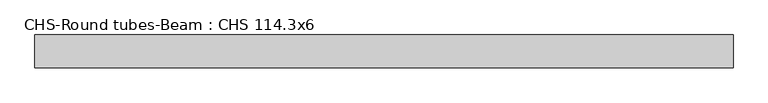
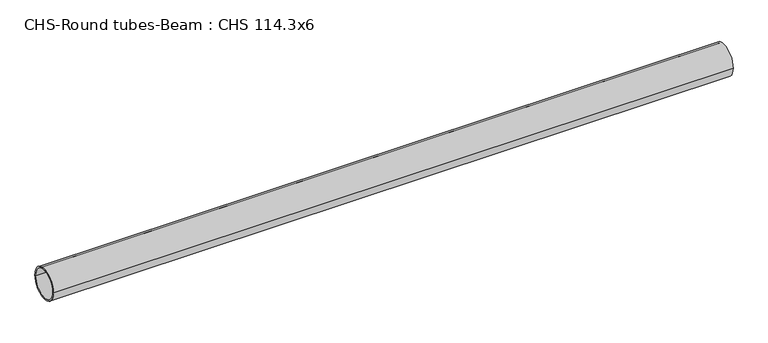
"""IFC4 building model written with IfcOpenShell, lengths in millimetres: beam geometry, CHS-Round tubes-Beam : CHS 114.3x6."""

from ifc_helpers import new_model, si_unit, point, frame, origin, origin_2d, place, context, project, spatial, circle_curve, trimmed, segment, composite_curve, outline, extrude, source, transform, mapped, element, save


def chs_round_tubes_beam_chs_114_3x6_a52cf99d(model_context):
    return source(origin(), model_context, "Body", "SweptSolid", [
        extrude(outline(composite_curve([segment(trimmed(circle_curve(origin_2d(), 57.15), [point((57.15, 0.0))], [point((-57.15, 0.0))], False, "CARTESIAN"), True, "CONTINUOUS"), segment(trimmed(circle_curve(origin_2d(), 57.15), [point((-57.15, 0.0))], [point((57.15, 0.0))], False, "CARTESIAN"), True, "CONTINUOUS")], self_intersect=False), holes=[composite_curve([segment(trimmed(circle_curve(origin_2d(), 51.15), [point((51.15, 0.0))], [point((-51.15, 0.0))], True, "CARTESIAN"), True, "CONTINUOUS"), segment(trimmed(circle_curve(origin_2d(), 51.15), [point((-51.15, 0.0))], [point((51.15, 0.0))], True, "CARTESIAN"), True, "CONTINUOUS")], self_intersect=False)]), frame((-1195.3994609, 0.0, 0.0), z_axis=(1.0, 0.0, 0.0), x_axis=(0.0, 1.0, 0.0)), (0.0, 0.0, 1.0), 2431.826573),
    ])


if __name__ == "__main__":
    model = new_model("IFC4")
    model_context = context("Model", 3, world=origin())
    ifc_project = project(units=[si_unit("LENGTHUNIT", "METRE", prefix="MILLI")], contexts=[model_context])
    site = spatial("IfcSite", under=ifc_project)
    building = spatial("IfcBuilding", under=site)
    placement = place(None, origin())
    chs_round_tubes_beam_chs_114_3x6_shape = chs_round_tubes_beam_chs_114_3x6_a52cf99d(model_context)
    element("IfcBeam", 1, ObjectType="CHS-Round tubes-Beam : CHS 114.3x6", at=placement, inside=building, context=model_context, shape_type="MappedRepresentation", body=[
        mapped(chs_round_tubes_beam_chs_114_3x6_shape, transform((0.0, 0.0, 0.0), x_axis=(1.0, 0.0, 0.0), y_axis=(0.0, 1.0, 0.0), z_axis=(0.0, 0.0, 1.0))),
    ])
    save(model, "model.ifc")
